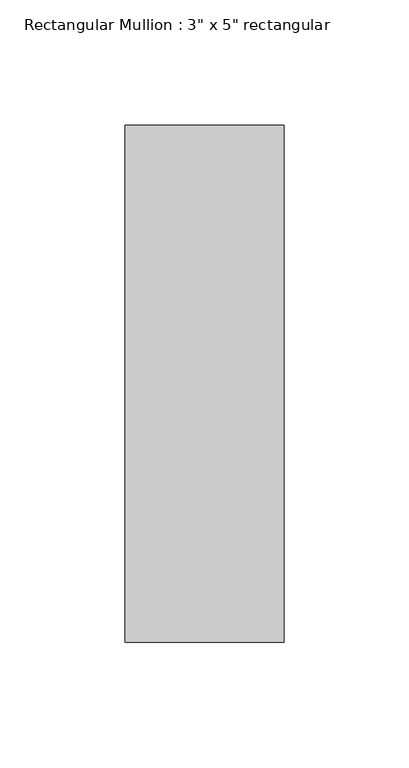
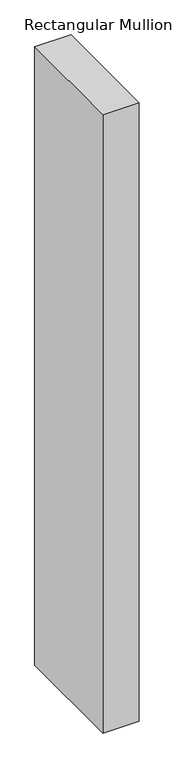
"""IFC4 building model written with IfcOpenShell, lengths in millimetres: member geometry."""

import ifcopenshell
import ifcopenshell.guid

model = None  # the IFC model being written
_history = None  # IfcOwnerHistory: only IFC2X3 demands one
_inside = {}  # id of a spatial element -> (the spatial element, [elements in it])
_under = {}  # id of a project, library or spatial element -> (it, [spatial elements below it])
_declared = {}  # id of a project -> (the project, [libraries it declares])
_typed = {}  # id of a type object -> (the type object, [elements of that type])
_made_of = {}  # id of a material, layer set ... -> (it, [elements and type objects made of it])


def new_model(schema):
    """Start an empty IFC model of exactly this schema.

    Asked for "IFC4X3", IfcOpenShell would pick the latest addendum, in which some entities
    have other attributes; the version numbers below select the first issue.
    IFC2X3 requires an IfcOwnerHistory on every rooted entity: one is made here for all.
    """
    global model, _history
    if schema == "IFC4X3":
        model = ifcopenshell.file(schema_version=(4, 3, 0, 0))
    else:
        model = ifcopenshell.file(schema=schema)
    _inside.clear()
    _under.clear()
    _declared.clear()
    _typed.clear()
    _made_of.clear()
    _history = None
    if model.schema == "IFC2X3":
        org = make("IfcOrganization", Name="unknown")
        user = make(
            "IfcPersonAndOrganization",
            ThePerson=make("IfcPerson", FamilyName="unknown"),
            TheOrganization=org,
        )
        app = make(
            "IfcApplication",
            ApplicationDeveloper=org,
            Version="unknown",
            ApplicationFullName="unknown",
            ApplicationIdentifier="unknown",
        )
        _history = make(
            "IfcOwnerHistory",
            OwningUser=user,
            OwningApplication=app,
            ChangeAction="ADDED",
            CreationDate=0,
        )
    return model


def make(cls, **values):
    """One entity of the class cls with the attributes given. An attribute that is None is left unset."""
    return model.create_entity(
        cls, **{name: value for name, value in values.items() if value is not None}
    )


def rooted(cls, **values):
    """An entity with a GlobalId (a new one), such as an element, a storey or a relation."""
    return make(cls, GlobalId=ifcopenshell.guid.new(), OwnerHistory=_history, **values)


def si_unit(unit_type, name, prefix=None):
    """IfcSIUnit, for example si_unit("LENGTHUNIT", "METRE", prefix="MILLI")."""
    return make("IfcSIUnit", UnitType=unit_type, Prefix=prefix, Name=name)


def assignment(units):
    """IfcUnitAssignment: the units of a project."""
    return None if units is None else make("IfcUnitAssignment", Units=units)


def point(xyz):
    """IfcCartesianPoint."""
    return None if xyz is None else make("IfcCartesianPoint", Coordinates=xyz)


def direction(xyz):
    """IfcDirection."""
    return None if xyz is None else make("IfcDirection", DirectionRatios=xyz)


def frame(location, z_axis=None, x_axis=None):
    """IfcAxis2Placement3D, a coordinate frame: its origin and axes. An axis left out is left unset."""
    return make(
        "IfcAxis2Placement3D",
        Location=point(location),
        Axis=direction(z_axis),
        RefDirection=direction(x_axis),
    )


def origin():
    """The frame at (0, 0, 0) with its axes left unset."""
    return frame((0.0, 0.0, 0.0))


def place(relative_to, where):
    """IfcLocalPlacement: puts the frame where relative to a parent placement (None: the world)."""
    return make(
        "IfcLocalPlacement", PlacementRelTo=relative_to, RelativePlacement=where
    )


def context(
    kind, dimensions, precision=None, world=None, true_north=None, identifier=None
):
    """IfcGeometricRepresentationContext, for example the 3D "Model" context."""
    return make(
        "IfcGeometricRepresentationContext",
        ContextIdentifier=identifier,
        ContextType=kind,
        CoordinateSpaceDimension=dimensions,
        Precision=precision,
        WorldCoordinateSystem=world,
        TrueNorth=true_north,
    )


def project(units=None, contexts=None):
    """IfcProject with its units and contexts."""
    return rooted(
        "IfcProject",
        Name="project",
        RepresentationContexts=contexts,
        UnitsInContext=assignment(units),
    )


def spatial(cls, under=None, at=None, **own):
    """A site, building, storey or space (cls), placed at a placement, below another one or the project."""
    s = rooted(cls, ObjectPlacement=at, **own)
    if under is not None:
        _under.setdefault(under.id(), (under, []))[1].append(s)
    return s


def polyline(points):
    """IfcPolyline through the points."""
    return make("IfcPolyline", Points=[point(p) for p in points])


def outline(outer, holes=None, kind="AREA"):
    """IfcArbitraryClosedProfileDef: a profile drawn as a closed curve; with holes, ...WithVoids."""
    if holes is None:
        return make("IfcArbitraryClosedProfileDef", ProfileType=kind, OuterCurve=outer)
    return make(
        "IfcArbitraryProfileDefWithVoids",
        ProfileType=kind,
        OuterCurve=outer,
        InnerCurves=holes,
    )


def extrude(swept, where, along, depth):
    """IfcExtrudedAreaSolid: the profile swept, set in the frame where, extruded along a direction by depth."""
    return make(
        "IfcExtrudedAreaSolid",
        SweptArea=swept,
        Position=where,
        ExtrudedDirection=direction(along),
        Depth=depth,
    )


def shape(context_of_items, identifier, shape_type, items):
    """IfcShapeRepresentation: the items that make up one representation, for example the "Body"."""
    return make(
        "IfcShapeRepresentation",
        ContextOfItems=context_of_items,
        RepresentationIdentifier=identifier,
        RepresentationType=shape_type,
        Items=items,
    )


def source(mapping_origin, context_of_items, identifier, shape_type, items):
    """IfcRepresentationMap: a shape defined once, which mapped items show again and again."""
    return make(
        "IfcRepresentationMap",
        MappingOrigin=mapping_origin,
        MappedRepresentation=shape(context_of_items, identifier, shape_type, items),
    )


def transform(
    local_origin,
    x_axis=None,
    y_axis=None,
    z_axis=None,
    scale=None,
    scale2=None,
    scale3=None,
    uniform=True,
):
    """IfcCartesianTransformationOperator3D, or its non-uniform kind. x_axis, y_axis, z_axis: its Axis1, 2, 3."""
    if uniform:
        return make(
            "IfcCartesianTransformationOperator3D",
            Axis1=direction(x_axis),
            Axis2=direction(y_axis),
            LocalOrigin=point(local_origin),
            Scale=scale,
            Axis3=direction(z_axis),
        )
    return make(
        "IfcCartesianTransformationOperator3DnonUniform",
        Axis1=direction(x_axis),
        Axis2=direction(y_axis),
        LocalOrigin=point(local_origin),
        Scale=scale,
        Axis3=direction(z_axis),
        Scale2=scale2,
        Scale3=scale3,
    )


def mapped(mapping_source, mapping_target):
    """IfcMappedItem: shows the shape of a source again, moved by a transform."""
    return make(
        "IfcMappedItem", MappingSource=mapping_source, MappingTarget=mapping_target
    )


def made_of(thing, what):
    """Note that an element or type object is made of a material, layer set ...; save() writes the relation."""
    if what is not None:
        _made_of.setdefault(what.id(), (what, []))[1].append(thing)
    return thing


def element(
    cls,
    number,
    at=None,
    inside=None,
    cuts=None,
    type_object=None,
    material=None,
    context=None,
    identifier="Body",
    shape_type=None,
    held_by="IfcProductDefinitionShape",
    body=None,
    shapes=None,
    **own,
):
    """One element of the class cls, such as IfcWall. Its Tag is "e" and its number.

    at: its placement. inside: the storey or other place that contains it. cuts: it is an
    opening in that element (IfcRelVoidsElement). A single representation is given by context,
    identifier, shape_type and body (its items); several are given by shapes. held_by: the class
    of the entity that holds the representations. save() writes the other relations.
    """
    e = rooted(cls, Tag="e%d" % number, ObjectPlacement=at, **own)
    if body is not None:
        shapes = [shape(context, identifier, shape_type, body)]
    if shapes is not None:
        e.Representation = make(held_by, Representations=shapes)
    if inside is not None:
        _inside.setdefault(inside.id(), (inside, []))[1].append(e)
    if cuts is not None:
        rooted(
            "IfcRelVoidsElement", RelatingBuildingElement=cuts, RelatedOpeningElement=e
        )
    if type_object is not None:
        _typed.setdefault(type_object.id(), (type_object, []))[1].append(e)
    return made_of(e, material)


def aggregate(whole, parts):
    """IfcRelAggregates: a whole, such as a stair, and the parts it consists of."""
    return rooted("IfcRelAggregates", RelatingObject=whole, RelatedObjects=parts)


def save(model, path):
    """Write the relations noted so far, then the file.

    IfcRelAggregates (storeys below a building ...), IfcRelContainedInSpatialStructure (elements
    in a storey), IfcRelDefinesByType, IfcRelAssociatesMaterial and IfcRelDeclares: one each for
    every whole, place, type object, material and project.
    """
    for whole, parts in _under.values():
        aggregate(whole, parts)
    for where, things in _inside.values():
        rooted(
            "IfcRelContainedInSpatialStructure",
            RelatedElements=things,
            RelatingStructure=where,
        )
    for kind, things in _typed.values():
        rooted("IfcRelDefinesByType", RelatedObjects=things, RelatingType=kind)
    for what, things in _made_of.values():
        rooted("IfcRelAssociatesMaterial", RelatedObjects=things, RelatingMaterial=what)
    for by, libraries in _declared.values():
        rooted("IfcRelDeclares", RelatingContext=by, RelatedDefinitions=libraries)
    model.write(path)


def member_a223ac56(model_context):
    return source(origin(), model_context, "Body", "SweptSolid", [
        extrude(outline(polyline([(0.0, 90.551), (0.0, -115.951), (-63.5, -115.951), (-63.5, 90.551), (0.0, 90.551)])), frame((0.0, 0.0, -1143.5), z_axis=(0.0, 0.0, 1.0), x_axis=(1.0, 0.0, 0.0)), (0.0, 0.0, 1.0), 1143.5),
    ])


if __name__ == "__main__":
    model = new_model("IFC4")
    model_context = context("Model", 3, world=origin())
    ifc_project = project(units=[si_unit("LENGTHUNIT", "METRE", prefix="MILLI")], contexts=[model_context])
    site = spatial("IfcSite", under=ifc_project)
    building = spatial("IfcBuilding", under=site)
    placement = place(None, origin())
    member_shape = member_a223ac56(model_context)
    element("IfcMember", 1, ObjectType="Rectangular Mullion : 3\" x 5\" rectangular", at=placement, inside=building, context=model_context, shape_type="MappedRepresentation", body=[
        mapped(member_shape, transform((0.0, 0.0, 0.0), x_axis=(1.0, 0.0, 0.0), y_axis=(0.0, 1.0, 0.0), z_axis=(0.0, 0.0, 1.0))),
    ])
    save(model, "model.ifc")
